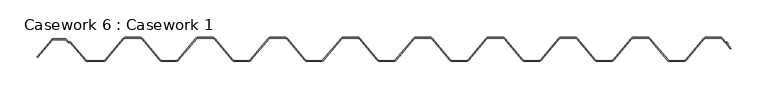
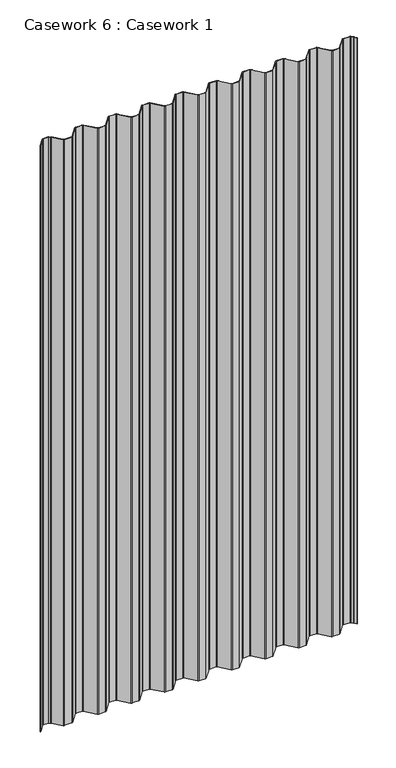
"""IFC4 building model written with IfcOpenShell, lengths in millimetres: furniture geometry, Casework 6 : Casework 1."""

from ifc_helpers import new_model, si_unit, point, frame, frame_2d, origin, place, context, project, spatial, polyline, circle_curve, trimmed, segment, composite_curve, outline, extrude, source, transform, mapped, element, save


def casework_6_casework_1_61cee56f(model_context):
    return source(origin(), model_context, "Body", "SweptSolid", [
        extrude(outline(composite_curve([segment(polyline([(14970.6371749, 641.4396721), (14970.8426386, 643.672881), (14968.6094297, 643.8783447), (14964.1903616, 649.1929472)]), True, "CONTINUOUS"), segment(trimmed(circle_curve(frame_2d((14961.893565, 647.2629924)), 3.0), [point((14964.1903616, 649.1929472))], [point((14961.893565, 650.2629924))], True, "CARTESIAN"), True, "CONTINUOUS"), segment(polyline([(14961.893565, 650.2629924), (14942.8935645, 650.2629919)]), True, "CONTINUOUS"), segment(trimmed(circle_curve(frame_2d((14942.8935646, 647.2629919)), 3.0), [point((14942.8935645, 650.2629919))], [point((14940.5999142, 649.1966847))], True, "CARTESIAN"), True, "CONTINUOUS"), segment(polyline([(14940.5999142, 649.1966847), (14916.3517655, 620.4347353)]), True, "CONTINUOUS"), segment(trimmed(circle_curve(frame_2d((14913.293565, 623.0129924)), 4.0), [point((14916.3517655, 620.4347353))], [point((14913.293565, 619.0129924))], False, "CARTESIAN"), True, "CONTINUOUS"), segment(polyline([(14913.293565, 619.0129924), (14894.273565, 619.0129924)]), True, "CONTINUOUS"), segment(trimmed(circle_curve(frame_2d((14894.273565, 623.0129924)), 4.0), [point((14894.273565, 619.0129924))], [point((14891.2153653, 620.4347344))], False, "CARTESIAN"), True, "CONTINUOUS"), segment(polyline([(14891.2153653, 620.4347344), (14866.9723112, 649.1906242)]), True, "CONTINUOUS"), segment(trimmed(circle_curve(frame_2d((14864.673565, 647.2629919)), 3.0), [point((14866.9723112, 649.1906242))], [point((14864.6735651, 650.2629919))], True, "CARTESIAN"), True, "CONTINUOUS"), segment(polyline([(14864.6735651, 650.2629919), (14845.6735651, 650.2629924)]), True, "CONTINUOUS"), segment(trimmed(circle_curve(frame_2d((14845.673565, 647.2629924)), 3.0), [point((14845.6735651, 650.2629924))], [point((14843.3747391, 649.1905296))], True, "CARTESIAN"), True, "CONTINUOUS"), segment(polyline([(14843.3747391, 649.1905296), (14819.1369428, 620.4408889)]), True, "CONTINUOUS"), segment(trimmed(circle_curve(frame_2d((14816.073565, 623.0129924)), 4.0), [point((14819.1369428, 620.4408889))], [point((14816.073565, 619.0129924))], False, "CARTESIAN"), True, "CONTINUOUS"), segment(polyline([(14816.073565, 619.0129924), (14797.051565, 619.0129924)]), True, "CONTINUOUS"), segment(trimmed(circle_curve(frame_2d((14797.051565, 623.0129924)), 4.0), [point((14797.051565, 619.0129924))], [point((14793.9881873, 620.4408889))], False, "CARTESIAN"), True, "CONTINUOUS"), segment(polyline([(14793.9881873, 620.4408889), (14769.7503113, 649.1906241)]), True, "CONTINUOUS"), segment(trimmed(circle_curve(frame_2d((14767.451565, 647.2629919)), 3.0), [point((14769.7503113, 649.1906241))], [point((14767.451565, 650.2629919))], True, "CARTESIAN"), True, "CONTINUOUS"), segment(polyline([(14767.451565, 650.2629919), (14748.4533174, 650.2629919)]), True, "CONTINUOUS"), segment(trimmed(circle_curve(frame_2d((14748.451565, 647.2629924)), 3.0), [point((14748.4533174, 650.2629919))], [point((14746.1579147, 649.1966852))], True, "CARTESIAN"), True, "CONTINUOUS"), segment(polyline([(14746.1579147, 649.1966852), (14721.9097655, 620.4347353)]), True, "CONTINUOUS"), segment(trimmed(circle_curve(frame_2d((14718.851565, 623.0129924)), 4.0), [point((14721.9097655, 620.4347353))], [point((14718.851565, 619.0129924))], False, "CARTESIAN"), True, "CONTINUOUS"), segment(polyline([(14718.851565, 619.0129924), (14699.829565, 619.0129924)]), True, "CONTINUOUS"), segment(trimmed(circle_curve(frame_2d((14699.829565, 623.0129924)), 4.0), [point((14699.829565, 619.0129924))], [point((14696.7661873, 620.4408889))], False, "CARTESIAN"), True, "CONTINUOUS"), segment(polyline([(14696.7661873, 620.4408889), (14672.5283113, 649.1906241)]), True, "CONTINUOUS"), segment(trimmed(circle_curve(frame_2d((14670.229565, 647.2629919)), 3.0), [point((14672.5283113, 649.1906241))], [point((14670.229565, 650.2629919))], True, "CARTESIAN"), True, "CONTINUOUS"), segment(polyline([(14670.229565, 650.2629919), (14651.2313174, 650.2629919)]), True, "CONTINUOUS"), segment(trimmed(circle_curve(frame_2d((14651.229565, 647.2629924)), 3.0), [point((14651.2313174, 650.2629919))], [point((14648.9359151, 649.1966857))], True, "CARTESIAN"), True, "CONTINUOUS"), segment(polyline([(14648.9359151, 649.1966857), (14624.6929428, 620.4408889)]), True, "CONTINUOUS"), segment(trimmed(circle_curve(frame_2d((14621.629565, 623.0129924)), 4.0), [point((14624.6929428, 620.4408889))], [point((14621.629565, 619.0129924))], False, "CARTESIAN"), True, "CONTINUOUS"), segment(polyline([(14621.629565, 619.0129924), (14602.607565, 619.0129924)]), True, "CONTINUOUS"), segment(trimmed(circle_curve(frame_2d((14602.607565, 623.0129924)), 4.0), [point((14602.607565, 619.0129924))], [point((14599.5441873, 620.4408889))], False, "CARTESIAN"), True, "CONTINUOUS"), segment(polyline([(14599.5441873, 620.4408889), (14575.3063113, 649.1906241)]), True, "CONTINUOUS"), segment(trimmed(circle_curve(frame_2d((14573.007565, 647.2629919)), 3.0), [point((14575.3063113, 649.1906241))], [point((14573.0075651, 650.2629919))], True, "CARTESIAN"), True, "CONTINUOUS"), segment(polyline([(14573.0075651, 650.2629919), (14554.0075651, 650.2629924)]), True, "CONTINUOUS"), segment(trimmed(circle_curve(frame_2d((14554.007565, 647.2629924)), 3.0), [point((14554.0075651, 650.2629924))], [point((14551.7087392, 649.1905297))], True, "CARTESIAN"), True, "CONTINUOUS"), segment(polyline([(14551.7087392, 649.1905297), (14527.4657648, 620.4347344)]), True, "CONTINUOUS"), segment(trimmed(circle_curve(frame_2d((14524.407565, 623.0129924)), 4.0), [point((14527.4657648, 620.4347344))], [point((14524.407565, 619.0129924))], False, "CARTESIAN"), True, "CONTINUOUS"), segment(polyline([(14524.407565, 619.0129924), (14505.385565, 619.0129924)]), True, "CONTINUOUS"), segment(trimmed(circle_curve(frame_2d((14505.385565, 623.0129924)), 4.0), [point((14505.385565, 619.0129924))], [point((14502.3273645, 620.4347353))], False, "CARTESIAN"), True, "CONTINUOUS"), segment(polyline([(14502.3273645, 620.4347353), (14478.0792154, 649.1966852)]), True, "CONTINUOUS"), segment(trimmed(circle_curve(frame_2d((14475.785565, 647.2629924)), 3.0), [point((14478.0792154, 649.1966852))], [point((14475.785565, 650.2629924))], True, "CARTESIAN"), True, "CONTINUOUS"), segment(polyline([(14475.785565, 650.2629924), (14456.7855645, 650.2629919)]), True, "CONTINUOUS"), segment(trimmed(circle_curve(frame_2d((14456.7855646, 647.2629919)), 3.0), [point((14456.7855645, 650.2629919))], [point((14454.4919146, 649.1966852))], True, "CARTESIAN"), True, "CONTINUOUS"), segment(polyline([(14454.4919146, 649.1966852), (14430.2489428, 620.4408889)]), True, "CONTINUOUS"), segment(trimmed(circle_curve(frame_2d((14427.185565, 623.0129924)), 4.0), [point((14430.2489428, 620.4408889))], [point((14427.185565, 619.0129924))], False, "CARTESIAN"), True, "CONTINUOUS"), segment(polyline([(14427.185565, 619.0129924), (14408.161565, 619.0129924)]), True, "CONTINUOUS"), segment(trimmed(circle_curve(frame_2d((14408.161565, 623.0129924)), 4.0), [point((14408.161565, 619.0129924))], [point((14405.0981873, 620.4408889))], False, "CARTESIAN"), True, "CONTINUOUS"), segment(polyline([(14405.0981873, 620.4408889), (14380.8603113, 649.1906241)]), True, "CONTINUOUS"), segment(trimmed(circle_curve(frame_2d((14378.561565, 647.2629919)), 3.0), [point((14380.8603113, 649.1906241))], [point((14378.5615651, 650.2629919))], True, "CARTESIAN"), True, "CONTINUOUS"), segment(polyline([(14378.5615651, 650.2629919), (14359.5615651, 650.2629924)]), True, "CONTINUOUS"), segment(trimmed(circle_curve(frame_2d((14359.561565, 647.2629924)), 3.0), [point((14359.5615651, 650.2629924))], [point((14357.2627391, 649.1905296))], True, "CARTESIAN"), True, "CONTINUOUS"), segment(polyline([(14357.2627391, 649.1905296), (14333.0249428, 620.4408889)]), True, "CONTINUOUS"), segment(trimmed(circle_curve(frame_2d((14329.961565, 623.0129924)), 4.0), [point((14333.0249428, 620.4408889))], [point((14329.961565, 619.0129924))], False, "CARTESIAN"), True, "CONTINUOUS"), segment(polyline([(14329.961565, 619.0129924), (14310.939565, 619.0129924)]), True, "CONTINUOUS"), segment(trimmed(circle_curve(frame_2d((14310.939565, 623.0129924)), 4.0), [point((14310.939565, 619.0129924))], [point((14307.8761873, 620.4408889))], False, "CARTESIAN"), True, "CONTINUOUS"), segment(polyline([(14307.8761873, 620.4408889), (14283.6383113, 649.1906241)]), True, "CONTINUOUS"), segment(trimmed(circle_curve(frame_2d((14281.339565, 647.2629919)), 3.0), [point((14283.6383113, 649.1906241))], [point((14281.3395651, 650.2629919))], True, "CARTESIAN"), True, "CONTINUOUS"), segment(polyline([(14281.3395651, 650.2629919), (14262.3395651, 650.2629924)]), True, "CONTINUOUS"), segment(trimmed(circle_curve(frame_2d((14262.339565, 647.2629924)), 3.0), [point((14262.3395651, 650.2629924))], [point((14260.0407391, 649.1905296))], True, "CARTESIAN"), True, "CONTINUOUS"), segment(polyline([(14260.0407391, 649.1905296), (14235.8029428, 620.4408889)]), True, "CONTINUOUS"), segment(trimmed(circle_curve(frame_2d((14232.739565, 623.0129924)), 4.0), [point((14235.8029428, 620.4408889))], [point((14232.739565, 619.0129924))], False, "CARTESIAN"), True, "CONTINUOUS"), segment(polyline([(14232.739565, 619.0129924), (14213.717565, 619.0129924)]), True, "CONTINUOUS"), segment(trimmed(circle_curve(frame_2d((14213.717565, 623.0129924)), 4.0), [point((14213.717565, 619.0129924))], [point((14210.6541873, 620.4408889))], False, "CARTESIAN"), True, "CONTINUOUS"), segment(polyline([(14210.6541873, 620.4408889), (14186.4163113, 649.1906241)]), True, "CONTINUOUS"), segment(trimmed(circle_curve(frame_2d((14184.117565, 647.2629919)), 3.0), [point((14186.4163113, 649.1906241))], [point((14184.1175651, 650.2629919))], True, "CARTESIAN"), True, "CONTINUOUS"), segment(polyline([(14184.1175651, 650.2629919), (14165.1175651, 650.2629924)]), True, "CONTINUOUS"), segment(trimmed(circle_curve(frame_2d((14165.117565, 647.2629924)), 3.0), [point((14165.1175651, 650.2629924))], [point((14162.8187391, 649.1905296))], True, "CARTESIAN"), True, "CONTINUOUS"), segment(polyline([(14162.8187391, 649.1905296), (14138.5809428, 620.4408889)]), True, "CONTINUOUS"), segment(trimmed(circle_curve(frame_2d((14135.517565, 623.0129924)), 4.0), [point((14138.5809428, 620.4408889))], [point((14135.517565, 619.0129924))], False, "CARTESIAN"), True, "CONTINUOUS"), segment(polyline([(14135.517565, 619.0129924), (14113.7367355, 619.0129924)]), True, "CONTINUOUS"), segment(trimmed(circle_curve(frame_2d((14113.7367355, 623.0129924)), 4.0), [point((14113.7367355, 619.0129924))], [point((14110.6874313, 620.4242198))], False, "CARTESIAN"), True, "CONTINUOUS"), segment(polyline([(14110.6874313, 620.4242198), (14090.5584949, 644.2629924), (14088.6630823, 644.2629924)]), True, "CONTINUOUS"), segment(trimmed(circle_curve(frame_2d((14088.6630823, 646.2629924)), 2.0), [point((14088.6630823, 644.2629924))], [point((14087.1252507, 644.9842923))], False, "CARTESIAN"), True, "CONTINUOUS"), segment(polyline([(14087.1252507, 644.9842923), (14084.3925009, 648.2708403), (14068.9399323, 648.2629924)]), True, "CONTINUOUS"), segment(trimmed(circle_curve(frame_2d((14068.9399323, 645.2629924)), 3.0), [point((14068.9399323, 648.2629924))], [point((14066.6514749, 647.2028282))], True, "CARTESIAN"), True, "CONTINUOUS"), segment(polyline([(14066.6514749, 647.2028282), (14047.5196012, 624.5095632)]), True, "CONTINUOUS"), segment(trimmed(circle_curve(frame_2d((14047.1876551, 624.8872827)), 0.5028521), [point((14047.5196012, 624.5095632))], [point((14046.7966256, 625.2034411))], False, "CARTESIAN"), True, "CONTINUOUS"), segment(polyline([(14046.7966256, 625.2034411), (14065.8757545, 647.8341429)]), True, "CONTINUOUS"), segment(trimmed(circle_curve(frame_2d((14068.9399323, 645.2629924)), 4.0), [point((14065.8757545, 647.8341429))], [point((14068.9399323, 649.2629924))], False, "CARTESIAN"), True, "CONTINUOUS"), segment(polyline([(14068.9399323, 649.2629924), (14084.391993, 649.27084)]), True, "CONTINUOUS"), segment(trimmed(circle_curve(frame_2d((14084.3925009, 648.2708403)), 1.0), [point((14084.391993, 649.27084))], [point((14085.1614167, 648.9101903))], False, "CARTESIAN"), True, "CONTINUOUS"), segment(polyline([(14085.1614167, 648.9101903), (14087.8941665, 645.6236424)]), True, "CONTINUOUS"), segment(trimmed(circle_curve(frame_2d((14088.6630823, 646.2629924)), 1.0), [point((14087.8941665, 645.6236424))], [point((14088.6630823, 645.2629924))], True, "CARTESIAN"), True, "CONTINUOUS"), segment(polyline([(14088.6630823, 645.2629924), (14091.0229233, 645.2629924), (14111.4386022, 621.0846296)]), True, "CONTINUOUS"), segment(trimmed(circle_curve(frame_2d((14113.7367355, 623.0129924)), 3.0), [point((14111.4386022, 621.0846296))], [point((14113.7367355, 620.0129924))], True, "CARTESIAN"), True, "CONTINUOUS"), segment(polyline([(14113.7367355, 620.0129924), (14135.517565, 620.0129924)]), True, "CONTINUOUS"), segment(trimmed(circle_curve(frame_2d((14135.517565, 623.0129924)), 3.0), [point((14135.517565, 620.0129924))], [point((14137.8156984, 621.0846296))], True, "CARTESIAN"), True, "CONTINUOUS"), segment(polyline([(14137.8156984, 621.0846296), (14162.0533873, 649.8341429)]), True, "CONTINUOUS"), segment(trimmed(circle_curve(frame_2d((14165.117565, 647.2629924)), 4.0), [point((14162.0533873, 649.8341429))], [point((14165.117565, 651.2629924))], False, "CARTESIAN"), True, "CONTINUOUS"), segment(polyline([(14165.117565, 651.2629924), (14184.117565, 651.2629924)]), True, "CONTINUOUS"), segment(trimmed(circle_curve(frame_2d((14184.117565, 647.2629924)), 4.0), [point((14184.117565, 651.2629924))], [point((14187.1817428, 649.8341429))], False, "CARTESIAN"), True, "CONTINUOUS"), segment(polyline([(14187.1817428, 649.8341429), (14211.4194317, 621.0846296)]), True, "CONTINUOUS"), segment(trimmed(circle_curve(frame_2d((14213.717565, 623.0129924)), 3.0), [point((14211.4194317, 621.0846296))], [point((14213.717565, 620.0129924))], True, "CARTESIAN"), True, "CONTINUOUS"), segment(polyline([(14213.717565, 620.0129924), (14232.739565, 620.0129924)]), True, "CONTINUOUS"), segment(trimmed(circle_curve(frame_2d((14232.739565, 623.0129924)), 3.0), [point((14232.739565, 620.0129924))], [point((14235.0376984, 621.0846296))], True, "CARTESIAN"), True, "CONTINUOUS"), segment(polyline([(14235.0376984, 621.0846296), (14259.2753873, 649.8341429)]), True, "CONTINUOUS"), segment(trimmed(circle_curve(frame_2d((14262.339565, 647.2629924)), 4.0), [point((14259.2753873, 649.8341429))], [point((14262.339565, 651.2629924))], False, "CARTESIAN"), True, "CONTINUOUS"), segment(polyline([(14262.339565, 651.2629924), (14281.339565, 651.2629924)]), True, "CONTINUOUS"), segment(trimmed(circle_curve(frame_2d((14281.339565, 647.2629924)), 4.0), [point((14281.339565, 651.2629924))], [point((14284.4037428, 649.8341429))], False, "CARTESIAN"), True, "CONTINUOUS"), segment(polyline([(14284.4037428, 649.8341429), (14308.6414317, 621.0846296)]), True, "CONTINUOUS"), segment(trimmed(circle_curve(frame_2d((14310.939565, 623.0129924)), 3.0), [point((14308.6414317, 621.0846296))], [point((14310.939565, 620.0129924))], True, "CARTESIAN"), True, "CONTINUOUS"), segment(polyline([(14310.939565, 620.0129924), (14329.961565, 620.0129924)]), True, "CONTINUOUS"), segment(trimmed(circle_curve(frame_2d((14329.961565, 623.0129924)), 3.0), [point((14329.961565, 620.0129924))], [point((14332.2596984, 621.0846296))], True, "CARTESIAN"), True, "CONTINUOUS"), segment(polyline([(14332.2596984, 621.0846296), (14356.4973873, 649.8341429)]), True, "CONTINUOUS"), segment(trimmed(circle_curve(frame_2d((14359.561565, 647.2629924)), 4.0), [point((14356.4973873, 649.8341429))], [point((14359.561565, 651.2629924))], False, "CARTESIAN"), True, "CONTINUOUS"), segment(polyline([(14359.561565, 651.2629924), (14378.561565, 651.2629924)]), True, "CONTINUOUS"), segment(trimmed(circle_curve(frame_2d((14378.561565, 647.2629924)), 4.0), [point((14378.561565, 651.2629924))], [point((14381.6257428, 649.8341429))], False, "CARTESIAN"), True, "CONTINUOUS"), segment(polyline([(14381.6257428, 649.8341429), (14405.8634317, 621.0846296)]), True, "CONTINUOUS"), segment(trimmed(circle_curve(frame_2d((14408.161565, 623.0129924)), 3.0), [point((14405.8634317, 621.0846296))], [point((14408.161565, 620.0129924))], True, "CARTESIAN"), True, "CONTINUOUS"), segment(polyline([(14408.161565, 620.0129924), (14427.185565, 620.0129924)]), True, "CONTINUOUS"), segment(trimmed(circle_curve(frame_2d((14427.185565, 623.0129924)), 3.0), [point((14427.185565, 620.0129924))], [point((14429.4836984, 621.0846296))], True, "CARTESIAN"), True, "CONTINUOUS"), segment(polyline([(14429.4836984, 621.0846296), (14453.7273651, 649.8412502)]), True, "CONTINUOUS"), segment(trimmed(circle_curve(frame_2d((14456.785565, 647.2629924)), 4.0), [point((14453.7273651, 649.8412502))], [point((14456.785565, 651.2629924))], False, "CARTESIAN"), True, "CONTINUOUS"), segment(polyline([(14456.785565, 651.2629924), (14475.785565, 651.2629924)]), True, "CONTINUOUS"), segment(trimmed(circle_curve(frame_2d((14475.785565, 647.2629924)), 4.0), [point((14475.785565, 651.2629924))], [point((14478.8437655, 649.8412495))], False, "CARTESIAN"), True, "CONTINUOUS"), segment(polyline([(14478.8437655, 649.8412495), (14503.0919147, 621.0792996)]), True, "CONTINUOUS"), segment(trimmed(circle_curve(frame_2d((14505.385565, 623.0129924)), 3.0), [point((14503.0919147, 621.0792996))], [point((14505.385565, 620.0129924))], True, "CARTESIAN"), True, "CONTINUOUS"), segment(polyline([(14505.385565, 620.0129924), (14524.407565, 620.0129924)]), True, "CONTINUOUS"), segment(trimmed(circle_curve(frame_2d((14524.407565, 623.0129924)), 3.0), [point((14524.407565, 620.0129924))], [point((14526.7012149, 621.0792989))], True, "CARTESIAN"), True, "CONTINUOUS"), segment(polyline([(14526.7012149, 621.0792989), (14550.9433873, 649.8341429)]), True, "CONTINUOUS"), segment(trimmed(circle_curve(frame_2d((14554.007565, 647.2629924)), 4.0), [point((14550.9433873, 649.8341429))], [point((14554.007565, 651.2629924))], False, "CARTESIAN"), True, "CONTINUOUS"), segment(polyline([(14554.007565, 651.2629924), (14573.007565, 651.2629924)]), True, "CONTINUOUS"), segment(trimmed(circle_curve(frame_2d((14573.007565, 647.2629924)), 4.0), [point((14573.007565, 651.2629924))], [point((14576.0717428, 649.8341429))], False, "CARTESIAN"), True, "CONTINUOUS"), segment(polyline([(14576.0717428, 649.8341429), (14600.3094317, 621.0846296)]), True, "CONTINUOUS"), segment(trimmed(circle_curve(frame_2d((14602.607565, 623.0129924)), 3.0), [point((14600.3094317, 621.0846296))], [point((14602.607565, 620.0129924))], True, "CARTESIAN"), True, "CONTINUOUS"), segment(polyline([(14602.607565, 620.0129924), (14621.629565, 620.0129924)]), True, "CONTINUOUS"), segment(trimmed(circle_curve(frame_2d((14621.629565, 623.0129924)), 3.0), [point((14621.629565, 620.0129924))], [point((14623.9276984, 621.0846296))], True, "CARTESIAN"), True, "CONTINUOUS"), segment(polyline([(14623.9276984, 621.0846296), (14648.1713651, 649.8412502)]), True, "CONTINUOUS"), segment(trimmed(circle_curve(frame_2d((14651.229565, 647.2629924)), 4.0), [point((14648.1713651, 649.8412502))], [point((14651.229565, 651.2629924))], False, "CARTESIAN"), True, "CONTINUOUS"), segment(polyline([(14651.229565, 651.2629924), (14670.229565, 651.2629924)]), True, "CONTINUOUS"), segment(trimmed(circle_curve(frame_2d((14670.229565, 647.2629924)), 4.0), [point((14670.229565, 651.2629924))], [point((14673.2937428, 649.8341429))], False, "CARTESIAN"), True, "CONTINUOUS"), segment(polyline([(14673.2937428, 649.8341429), (14697.5314317, 621.0846296)]), True, "CONTINUOUS"), segment(trimmed(circle_curve(frame_2d((14699.829565, 623.0129924)), 3.0), [point((14697.5314317, 621.0846296))], [point((14699.829565, 620.0129924))], True, "CARTESIAN"), True, "CONTINUOUS"), segment(polyline([(14699.829565, 620.0129924), (14718.851565, 620.0129924)]), True, "CONTINUOUS"), segment(trimmed(circle_curve(frame_2d((14718.851565, 623.0129924)), 3.0), [point((14718.851565, 620.0129924))], [point((14721.1452154, 621.0792996))], True, "CARTESIAN"), True, "CONTINUOUS"), segment(polyline([(14721.1452154, 621.0792996), (14745.3933645, 649.8412495)]), True, "CONTINUOUS"), segment(trimmed(circle_curve(frame_2d((14748.451565, 647.2629924)), 4.0), [point((14745.3933645, 649.8412495))], [point((14748.451565, 651.2629924))], False, "CARTESIAN"), True, "CONTINUOUS"), segment(polyline([(14748.451565, 651.2629924), (14767.451565, 651.2629924)]), True, "CONTINUOUS"), segment(trimmed(circle_curve(frame_2d((14767.451565, 647.2629924)), 4.0), [point((14767.451565, 651.2629924))], [point((14770.5157428, 649.8341429))], False, "CARTESIAN"), True, "CONTINUOUS"), segment(polyline([(14770.5157428, 649.8341429), (14794.7534317, 621.0846296)]), True, "CONTINUOUS"), segment(trimmed(circle_curve(frame_2d((14797.051565, 623.0129924)), 3.0), [point((14794.7534317, 621.0846296))], [point((14797.051565, 620.0129924))], True, "CARTESIAN"), True, "CONTINUOUS"), segment(polyline([(14797.051565, 620.0129924), (14816.073565, 620.0129924)]), True, "CONTINUOUS"), segment(trimmed(circle_curve(frame_2d((14816.073565, 623.0129924)), 3.0), [point((14816.073565, 620.0129924))], [point((14818.3716984, 621.0846296))], True, "CARTESIAN"), True, "CONTINUOUS"), segment(polyline([(14818.3716984, 621.0846296), (14842.6093873, 649.8341429)]), True, "CONTINUOUS"), segment(trimmed(circle_curve(frame_2d((14845.673565, 647.2629924)), 4.0), [point((14842.6093873, 649.8341429))], [point((14845.673565, 651.2629924))], False, "CARTESIAN"), True, "CONTINUOUS"), segment(polyline([(14845.673565, 651.2629924), (14864.673565, 651.2629924)]), True, "CONTINUOUS"), segment(trimmed(circle_curve(frame_2d((14864.673565, 647.2629924)), 4.0), [point((14864.673565, 651.2629924))], [point((14867.7377428, 649.8341429))], False, "CARTESIAN"), True, "CONTINUOUS"), segment(polyline([(14867.7377428, 649.8341429), (14891.9799152, 621.0792989)]), True, "CONTINUOUS"), segment(trimmed(circle_curve(frame_2d((14894.273565, 623.0129924)), 3.0), [point((14891.9799152, 621.0792989))], [point((14894.273565, 620.0129924))], True, "CARTESIAN"), True, "CONTINUOUS"), segment(polyline([(14894.273565, 620.0129924), (14913.293565, 620.0129924)]), True, "CONTINUOUS"), segment(trimmed(circle_curve(frame_2d((14913.293565, 623.0129924)), 3.0), [point((14913.293565, 620.0129924))], [point((14915.5872154, 621.0792996))], True, "CARTESIAN"), True, "CONTINUOUS"), segment(polyline([(14915.5872154, 621.0792996), (14939.8353645, 649.8412495)]), True, "CONTINUOUS"), segment(trimmed(circle_curve(frame_2d((14942.893565, 647.2629924)), 4.0), [point((14939.8353645, 649.8412495))], [point((14942.893565, 651.2629924))], False, "CARTESIAN"), True, "CONTINUOUS"), segment(polyline([(14942.893565, 651.2629924), (14961.893565, 651.2629924)]), True, "CONTINUOUS"), segment(trimmed(circle_curve(frame_2d((14961.893565, 647.2629924)), 4.0), [point((14961.893565, 651.2629924))], [point((14964.9577428, 649.8341429))], False, "CARTESIAN"), True, "CONTINUOUS"), segment(polyline([(14964.9577428, 649.8341429), (14969.113518, 644.8361901), (14971.2259168, 644.6418414), (14971.8652668, 643.8729256), (14971.6709182, 641.7605268), (14975.8266934, 636.762574)]), True, "CONTINUOUS"), segment(trimmed(circle_curve(frame_2d((14975.4389812, 636.440193)), 0.5042323), [point((14975.8266934, 636.762574))], [point((14975.1166002, 636.0524808))], False, "CARTESIAN"), True, "CONTINUOUS"), segment(polyline([(14975.1166002, 636.0524808), (14970.6371749, 641.4396721)]), True, "CONTINUOUS")], self_intersect=False)), frame((0.0, 0.0, -1746.662203), z_axis=(0.0, 0.0, 1.0), x_axis=(1.0, 0.0, 0.0)), (0.0, 0.0, 1.0), 1800.0),
    ])


if __name__ == "__main__":
    model = new_model("IFC4")
    model_context = context("Model", 3, world=origin())
    ifc_project = project(units=[si_unit("LENGTHUNIT", "METRE", prefix="MILLI")], contexts=[model_context])
    site = spatial("IfcSite", under=ifc_project)
    building = spatial("IfcBuilding", under=site)
    placement = place(None, origin())
    casework_6_casework_1_shape = casework_6_casework_1_61cee56f(model_context)
    element("IfcFurniture", 1, ObjectType="Casework 6 : Casework 1", at=placement, inside=building, context=model_context, shape_type="MappedRepresentation", body=[
        mapped(casework_6_casework_1_shape, transform((0.0, 0.0, 0.0), x_axis=(1.0, 0.0, 0.0), y_axis=(0.0, 1.0, 0.0), z_axis=(0.0, 0.0, 1.0))),
    ])
    save(model, "model.ifc")
